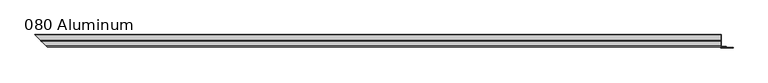
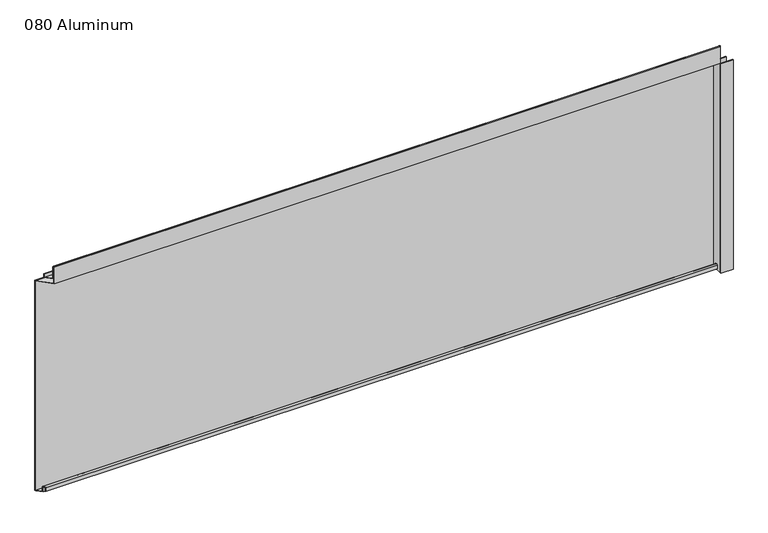
"""IFC4 building model written with IfcOpenShell, lengths in millimetres: plate geometry, 080 Aluminum."""

from ifc_helpers import new_model, si_unit, frame, origin, origin_with_axes, place, context, project, spatial, polyline, circle_curve, ellipse_curve, outline, extrude, source, transform, mapped, element, save
from ifc_brep_helpers import plane_surface, cylinder_surface, revolved_surface, advanced_brep


def plate_080_aluminum_50207dbe(model_context):
    return source(origin(), model_context, "Body", "SolidModel", [
        advanced_brep(
        [(906.1660093, 16.6765477, 13.1458337), (906.1660093, 16.6765477, 2.786437), (906.1660093, 17.9464915, 2.786437), (906.1660093, 17.9464915, 13.1323356), (906.1660093, 21.7564743, 13.124237), (906.1660093, 21.7564743, 0.0), (906.1660093, 34.7980002, 0.0), (906.1660093, 34.7980002, 1.2693678), (906.1660093, 23.0264743, 1.2693678), (906.1660093, 23.0264743, 13.124237), (-936.8125571, 16.6765477, 13.1458337), (-936.8125571, 16.6765477, 2.786437), (-938.0825008, 17.9464915, 2.786437), (-938.0825008, 17.9464915, 13.1323356), (-941.8924836, 21.7564743, 13.124237), (-941.8924836, 21.7564743, 0.0), (-954.9340093, 34.798, 0.0), (-954.9340095, 34.7980002, 1.2693678), (-943.1624836, 23.0264743, 1.2693678), (-943.1624836, 23.0264743, 13.124237)],
        [
            (0, 1),
            (1, 2),
            (2, 3),
            (3, 4, circle_curve(frame((906.1660093, 19.8514743, 13.124237), z_axis=(-1.0, 0.0, 0.0), x_axis=(0.0, 0.0, -1.0)), 1.905)),
            (4, 5),
            (5, 6),
            (6, 7),
            (7, 8),
            (8, 9),
            (9, 0, circle_curve(frame((906.1660093, 19.8514743, 13.124237), z_axis=(1.0, 0.0, 0.0), x_axis=(0.0, 0.0, -1.0)), 3.175)),
            (0, 10),
            (10, 11),
            (11, 1),
            (11, 12),
            (12, 2),
            (12, 13),
            (13, 3),
            (13, 14, ellipse_curve(frame((-939.9874836, 19.8514743, 13.124237), z_axis=(-0.7071067811865467, -0.7071067811865485, 0.0), x_axis=(0.7071067811865482, -0.7071067811865468, 0.0)), 2.6940768, 1.905)),
            (14, 4),
            (14, 15),
            (15, 5),
            (15, 16),
            (16, 6),
            (16, 17),
            (17, 7),
            (17, 18),
            (18, 8),
            (18, 19),
            (19, 9),
            (19, 10, ellipse_curve(frame((-939.9874836, 19.8514743, 13.124237), z_axis=(0.7071067811865467, 0.7071067811865485, 0.0), x_axis=(-0.7071067811865482, 0.7071067811865468, 0.0)), 4.4901281, 3.175)),
        ],
        [
            plane_surface(frame((906.1660093, 36.068, 0.0), z_axis=(1.0, 0.0, 0.0), x_axis=(0.0, 0.0, 1.0))),
            plane_surface(frame((-954.9340093, 16.6765477, 13.1458337), z_axis=(0.0, -1.0, 0.0), x_axis=(1.0, 0.0, 0.0))),
            plane_surface(frame((-954.9340093, 16.6765477, 2.786437), z_axis=(0.0, 0.0, -1.0), x_axis=(1.0, 0.0, 0.0))),
            plane_surface(frame((-954.9340093, 17.9464915, 2.786437), z_axis=(0.0, 1.0, 0.0), x_axis=(1.0, 0.0, 0.0))),
            revolved_surface(polyline([(906.1660093000002, 19.8514743, 11.219237000000001), (-941.8924836, 19.8514743, 11.219237000000001)]), (-954.9340093, 19.8514743, 13.124237), (1.0, 0.0, 0.0)),
            plane_surface(frame((-954.9340093, 21.7564743, 13.124237), z_axis=(0.0, -1.0, 0.0), x_axis=(1.0, 0.0, 0.0))),
            plane_surface(frame((-954.9340093, 21.7564743, 0.0), z_axis=(0.0, 0.0, -1.0), x_axis=(1.0, 0.0, 0.0))),
            plane_surface(frame((-954.9340093, 34.7980002, 0.0), z_axis=(0.0, 1.0, 0.0), x_axis=(1.0, 0.0, 0.0))),
            plane_surface(frame((-954.9340093, 34.7980002, 1.2693678), z_axis=(0.0, 0.0, 1.0), x_axis=(1.0, 0.0, 0.0))),
            plane_surface(frame((-954.9340093, 23.0264743, 1.2693678), z_axis=(0.0, 1.0, 0.0), x_axis=(1.0, 0.0, 0.0))),
            cylinder_surface(frame((-954.9340093, 19.8514743, 13.124237), z_axis=(-1.0, 0.0, 0.0), x_axis=(0.0, 0.0, -1.0)), 3.175),
            plane_surface(frame((-956.2040093, 36.068, 795.4549971), z_axis=(-0.7071067811865467, -0.7071067811865485, 0.0), x_axis=(0.0, 0.0, -1.0))),
        ],
        [
            (0, [[1, 2, 3, 4, 5, 6, 7, 8, 9, 10]]),
            (1, [[11, 12, 13, -1]]),
            (2, [[-13, 14, 15, -2]]),
            (3, [[-15, 16, 17, -3]]),
            (4, [[-17, 18, 19, -4]]),
            (5, [[-19, 20, 21, -5]]),
            (6, [[-21, 22, 23, -6]]),
            (7, [[-23, 24, 25, -7]]),
            (8, [[-25, 26, 27, -8]]),
            (9, [[-27, 28, 29, -9]]),
            (10, [[-29, 30, -11, -10]]),
            (11, [[-30, -28, -26, -24, -22, -20, -18, -16, -14, -12]]),
        ],
    ),
        advanced_brep(
        [(906.1660093, 2.0574743, 656.7932001), (906.1660093, 2.0574743, 608.33), (906.1660093, 34.7980002, 608.33), (906.1660093, 34.7980002, 609.6000001), (906.1660093, 3.3274743, 609.6000001), (906.1660093, 3.3274743, 656.7932001), (906.1660093, 4.0894742, 656.7932001), (906.1660093, 4.0894742, 622.3), (906.1660093, 20.4864742, 622.3), (906.1660093, 20.4864742, 633.6538), (906.1660093, 19.2164743, 633.6538), (906.1660093, 19.2164743, 623.57), (906.1660093, 5.3594742, 623.57), (906.1660093, 5.3594742, 656.7932001), (-922.1934836, 2.0574743, 656.7932001), (-922.1934836, 2.0574743, 608.33), (-954.9340093, 34.798, 608.33), (-954.9340095, 34.7980002, 609.6000001), (-923.4634836, 3.3274743, 609.6000001), (-923.4634836, 3.3274743, 656.7932001), (-924.2254835, 4.0894742, 656.7932001), (-924.2254835, 4.0894742, 622.3), (-940.6224836, 20.4864742, 622.3), (-940.6224836, 20.4864742, 633.6538), (-939.3524837, 19.2164743, 633.6538), (-939.3524837, 19.2164743, 623.57), (-925.4954835, 5.3594742, 623.57), (-925.4954835, 5.3594742, 656.7932001)],
        [
            (0, 1),
            (1, 2),
            (2, 3),
            (3, 4),
            (4, 5),
            (5, 6, circle_curve(frame((906.1660093, 3.7084742, 656.7932001), z_axis=(-1.0, 0.0, 0.0), x_axis=(0.0, 0.0, -1.0)), 0.3809999)),
            (6, 7),
            (7, 8),
            (8, 9),
            (9, 10),
            (10, 11),
            (11, 12),
            (12, 13),
            (13, 0, circle_curve(frame((906.1660093, 3.7084742, 656.7932001), z_axis=(1.0, 0.0, 0.0), x_axis=(0.0, 0.0, -1.0)), 1.6509999)),
            (0, 14),
            (14, 15),
            (15, 1),
            (15, 16),
            (16, 2),
            (16, 17),
            (17, 3),
            (17, 18),
            (18, 4),
            (18, 19),
            (19, 5),
            (19, 20, ellipse_curve(frame((-923.8444836, 3.7084742, 656.7932001), z_axis=(-0.7071067811865467, -0.7071067811865485, 0.0), x_axis=(0.7071067811865482, -0.7071067811865468, 0.0)), 0.5388153, 0.3809999)),
            (20, 6),
            (20, 21),
            (21, 7),
            (21, 22),
            (22, 8),
            (22, 23),
            (23, 9),
            (23, 24),
            (24, 10),
            (24, 25),
            (25, 11),
            (25, 26),
            (26, 12),
            (26, 27),
            (27, 13),
            (27, 14, ellipse_curve(frame((-923.8444836, 3.7084742, 656.7932001), z_axis=(0.7071067811865467, 0.7071067811865485, 0.0), x_axis=(-0.7071067811865482, 0.7071067811865468, 0.0)), 2.3348665, 1.6509999)),
        ],
        [
            plane_surface(frame((906.1660093, 36.068, 609.6), z_axis=(1.0, 0.0, 0.0), x_axis=(0.0, 0.0, 1.0))),
            plane_surface(frame((-954.9340093, 2.0574743, 656.7932001), z_axis=(0.0, -1.0, 0.0), x_axis=(1.0, 0.0, 0.0))),
            plane_surface(frame((-954.9340093, 2.0574743, 608.33), z_axis=(0.0, 0.0, -1.0), x_axis=(1.0, 0.0, 0.0))),
            plane_surface(frame((-954.9340093, 34.7980002, 608.33), z_axis=(0.0, 1.0, 0.0), x_axis=(1.0, 0.0, 0.0))),
            plane_surface(frame((-954.9340093, 34.7980002, 609.6000001), z_axis=(0.0, 0.0, 1.0), x_axis=(1.0, 0.0, 0.0))),
            plane_surface(frame((-954.9340093, 3.3274743, 609.6000001), z_axis=(0.0, 1.0, 0.0), x_axis=(1.0, 0.0, 0.0))),
            revolved_surface(polyline([(906.1660093000002, 3.7084742, 656.4122002), (-924.225483552437, 3.7084742, 656.4122002)]), (-954.9340093, 3.7084742, 656.7932001), (1.0, 0.0, 0.0)),
            plane_surface(frame((-954.9340093, 4.0894742, 656.7932001), z_axis=(0.0, -1.0, 0.0), x_axis=(1.0, 0.0, 0.0))),
            plane_surface(frame((-954.9340093, 4.0894742, 622.3), z_axis=(0.0, 0.0, -1.0), x_axis=(1.0, 0.0, 0.0))),
            plane_surface(frame((-954.9340093, 20.4864742, 622.3), z_axis=(0.0, 1.0, 0.0), x_axis=(1.0, 0.0, 0.0))),
            plane_surface(frame((-954.9340093, 20.4864742, 633.6538), z_axis=(0.0, 0.0, 1.0), x_axis=(1.0, 0.0, 0.0))),
            plane_surface(frame((-954.9340093, 19.2164743, 633.6538), z_axis=(0.0, -1.0, 0.0), x_axis=(1.0, 0.0, 0.0))),
            plane_surface(frame((-954.9340093, 19.2164743, 623.57), z_axis=(0.0, 0.0, 1.0), x_axis=(1.0, 0.0, 0.0))),
            plane_surface(frame((-954.9340093, 5.3594742, 623.57), z_axis=(0.0, 1.0, 0.0), x_axis=(1.0, 0.0, 0.0))),
            cylinder_surface(frame((-954.9340093, 3.7084742, 656.7932001), z_axis=(-1.0, 0.0, 0.0), x_axis=(0.0, 0.0, -1.0)), 1.6509999),
            plane_surface(frame((-956.2040093, 36.068, 795.4549971), z_axis=(-0.7071067811865467, -0.7071067811865485, 0.0), x_axis=(0.0, 0.0, -1.0))),
        ],
        [
            (0, [[1, 2, 3, 4, 5, 6, 7, 8, 9, 10, 11, 12, 13, 14]]),
            (1, [[15, 16, 17, -1]]),
            (2, [[-17, 18, 19, -2]]),
            (3, [[-19, 20, 21, -3]]),
            (4, [[-21, 22, 23, -4]]),
            (5, [[-23, 24, 25, -5]]),
            (6, [[-25, 26, 27, -6]]),
            (7, [[-27, 28, 29, -7]]),
            (8, [[-29, 30, 31, -8]]),
            (9, [[-31, 32, 33, -9]]),
            (10, [[-33, 34, 35, -10]]),
            (11, [[-35, 36, 37, -11]]),
            (12, [[-37, 38, 39, -12]]),
            (13, [[-39, 40, 41, -13]]),
            (14, [[-41, 42, -15, -14]]),
            (15, [[-42, -40, -38, -36, -34, -32, -30, -28, -26, -24, -22, -20, -18, -16]]),
        ],
    ),
        extrude(outline(polyline([(907.4360093, 34.7980001), (-954.9340094, 34.7980001), (-956.2040093, 36.068), (907.4360093, 36.068), (907.4360093, 34.7980001)])), origin_with_axes(), (0.0, 0.0, 1.0), 609.6),
        extrude(outline(polyline([(907.4360093, 1.2699999), (939.948095, 1.2699999), (939.948095, 0.0), (906.1660094, 0.0), (906.1660094, 34.7980002), (907.4360093, 34.7980002), (907.4360093, 1.2699999)])), origin_with_axes(), (0.0, 0.0, 1.0), 608.33),
        extrude(outline(polyline([(906.1660093, 3.3274743), (921.9140093, 3.3274743), (921.9140093, 2.0574743), (906.1660093, 2.0574743), (906.1660093, 3.3274743)])), origin_with_axes(), (0.0, 0.0, 1.0), 622.3),
    ])


if __name__ == "__main__":
    model = new_model("IFC4")
    model_context = context("Model", 3, world=origin())
    ifc_project = project(units=[si_unit("LENGTHUNIT", "METRE", prefix="MILLI")], contexts=[model_context])
    site = spatial("IfcSite", under=ifc_project)
    building = spatial("IfcBuilding", under=site)
    placement = place(None, origin())
    plate_080_aluminum_shape = plate_080_aluminum_50207dbe(model_context)
    element("IfcPlate", 1, ObjectType="080 Aluminum", at=placement, inside=building, context=model_context, shape_type="MappedRepresentation", body=[
        mapped(plate_080_aluminum_shape, transform((0.0, 0.0, 0.0), x_axis=(1.0, 0.0, 0.0), y_axis=(0.0, 1.0, 0.0), z_axis=(0.0, 0.0, 1.0))),
    ])
    save(model, "model.ifc")
